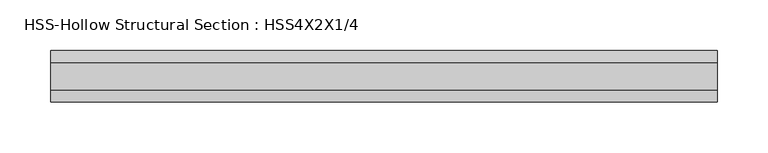
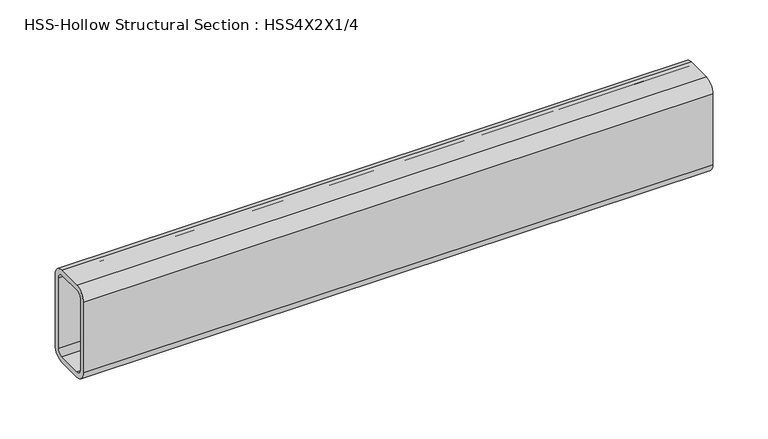
"""IFC4 building model written with IfcOpenShell, lengths in millimetres: beam geometry, HSS-Hollow Structural Section : HSS4X2X1/4."""

from ifc_helpers import new_model, si_unit, point, frame, frame_2d, origin, place, context, project, spatial, polyline, circle_curve, trimmed, segment, composite_curve, outline, extrude, source, transform, mapped, element, save


def hss_hollow_structural_section_hss4x2x1_4_46cf835b(model_context):
    return source(origin(), model_context, "Body", "SweptSolid", [
        extrude(outline(composite_curve([segment(polyline([(25.4, 38.9636), (25.4, -38.9636)]), True, "CONTINUOUS"), segment(trimmed(circle_curve(frame_2d((13.5636, -38.9636)), 11.8364), [point((25.4, -38.9636))], [point((13.5636, -50.8))], False, "CARTESIAN"), True, "CONTINUOUS"), segment(polyline([(13.5636, -50.8), (-13.5636, -50.8)]), True, "CONTINUOUS"), segment(trimmed(circle_curve(frame_2d((-13.5636, -38.9636)), 11.8364), [point((-13.5636, -50.8))], [point((-25.4, -38.9636))], False, "CARTESIAN"), True, "CONTINUOUS"), segment(polyline([(-25.4, -38.9636), (-25.4, 38.9636)]), True, "CONTINUOUS"), segment(trimmed(circle_curve(frame_2d((-13.5636, 38.9636)), 11.8364), [point((-25.4, 38.9636))], [point((-13.5636, 50.8))], False, "CARTESIAN"), True, "CONTINUOUS"), segment(polyline([(-13.5636, 50.8), (13.5636, 50.8)]), True, "CONTINUOUS"), segment(trimmed(circle_curve(frame_2d((13.5636, 38.9636)), 11.8364), [point((13.5636, 50.8))], [point((25.4, 38.9636))], False, "CARTESIAN"), True, "CONTINUOUS")], self_intersect=False), holes=[composite_curve([segment(trimmed(circle_curve(frame_2d((-13.5636, 38.9636)), 5.9182), [point((-13.5636, 44.8818))], [point((-19.4818, 38.9636))], True, "CARTESIAN"), True, "CONTINUOUS"), segment(polyline([(-19.4818, 38.9636), (-19.4818, -38.9636)]), True, "CONTINUOUS"), segment(trimmed(circle_curve(frame_2d((-13.5636, -38.9636)), 5.9182), [point((-19.4818, -38.9636))], [point((-13.5636, -44.8818))], True, "CARTESIAN"), True, "CONTINUOUS"), segment(polyline([(-13.5636, -44.8818), (13.5636, -44.8818)]), True, "CONTINUOUS"), segment(trimmed(circle_curve(frame_2d((13.5636, -38.9636)), 5.9182), [point((13.5636, -44.8818))], [point((19.4818, -38.9636))], True, "CARTESIAN"), True, "CONTINUOUS"), segment(polyline([(19.4818, -38.9636), (19.4818, 38.9636)]), True, "CONTINUOUS"), segment(trimmed(circle_curve(frame_2d((13.5636, 38.9636)), 5.9182), [point((19.4818, 38.9636))], [point((13.5636, 44.8818))], True, "CARTESIAN"), True, "CONTINUOUS"), segment(polyline([(13.5636, 44.8818), (-13.5636, 44.8818)]), True, "CONTINUOUS")], self_intersect=False)]), frame((-328.2473611, 0.0, 0.0), z_axis=(1.0, 0.0, 0.0), x_axis=(0.0, 1.0, 0.0)), (0.0, 0.0, 1.0), 656.8265227),
    ])


if __name__ == "__main__":
    model = new_model("IFC4")
    model_context = context("Model", 3, world=origin())
    ifc_project = project(units=[si_unit("LENGTHUNIT", "METRE", prefix="MILLI")], contexts=[model_context])
    site = spatial("IfcSite", under=ifc_project)
    building = spatial("IfcBuilding", under=site)
    placement = place(None, origin())
    hss_hollow_structural_section_hss4x2x1_4_shape = hss_hollow_structural_section_hss4x2x1_4_46cf835b(model_context)
    element("IfcBeam", 1, ObjectType="HSS-Hollow Structural Section : HSS4X2X1/4", at=placement, inside=building, context=model_context, shape_type="MappedRepresentation", body=[
        mapped(hss_hollow_structural_section_hss4x2x1_4_shape, transform((0.0, 0.0, 0.0), x_axis=(1.0, 0.0, 0.0), y_axis=(0.0, 1.0, 0.0), z_axis=(0.0, 0.0, 1.0))),
    ])
    save(model, "model.ifc")
